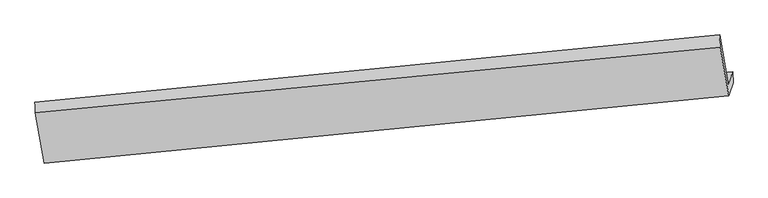
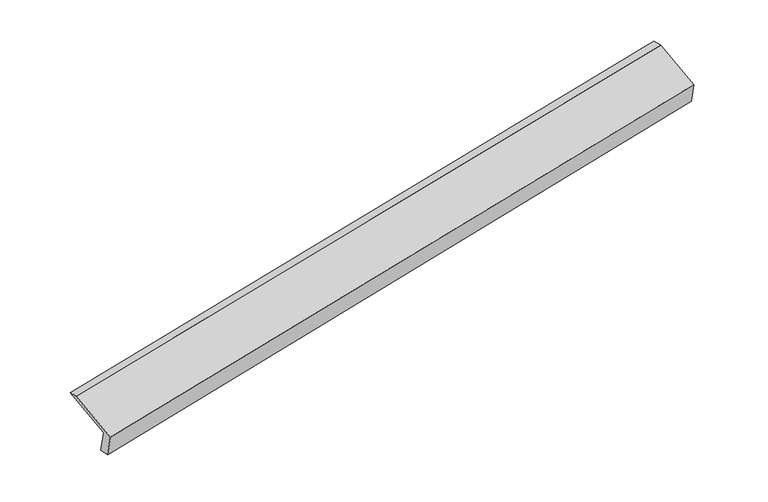
"""IFC4 building model written with IfcOpenShell, lengths in millimetres: proxy geometry."""

from ifc_helpers import new_model, si_unit, frame, origin, place, context, project, spatial, source, transform, mapped, element, save
from ifc_brep_helpers import plane_surface, spline_surface, advanced_brep


def generic_models_5886b525(model_context):
    return source(origin(), model_context, "Body", "AdvancedBrep", [
        advanced_brep(
        [(-7595.745154, -2008.1200371, 621.4979909), (-7658.7563816, -2188.7660006, 1037.5279588), (1967.2223983, -1240.7094892, 2868.5988556), (2028.1695473, -1065.9810023, 2466.1969121), (-7584.2687078, -2170.8186858, 643.6983824), (2035.9747566, -1225.4571459, 2505.7506169), (-7647.3971081, -2351.80057, 1060.50198), (1974.2224087, -1402.4940457, 2913.4688649), (-7771.8713481, -1643.9099474, 1349.0252071), (1854.5696436, -722.0233682, 3190.8162256), (-7780.1649985, -1498.3097148, 1318.9452702), (1845.8137814, -550.2532034, 3150.016167)],
        [
            (0, 1),
            (1, 2),
            (2, 3),
            (3, 0),
            (4, 0),
            (3, 5),
            (5, 4),
            (6, 4),
            (5, 7),
            (7, 6),
            (8, 6),
            (7, 9),
            (9, 8),
            (10, 8),
            (9, 11),
            (11, 10),
            (1, 10),
            (11, 2),
        ],
        [
            plane_surface(frame((-7627.2507678, -2098.4430188, 829.5129749), z_axis=(-0.1608748321340834, 0.9139827427173008, 0.3724980998619868), x_axis=(-0.13760523926015905, -0.39449844088113084, 0.9085349626021617))),
            spline_surface(1, 1, [[(-7584.2687078, -2170.8186858, 643.6983824), (2035.9747566, -1225.4571459, 2505.7506169)], [(-7595.745154, -2008.1200371, 621.4979909), (2028.1695473, -1065.9810023, 2466.1969121)]], [2, 2], [2, 2], [0.0, 1.0], [0.0, 1.0]),
            plane_surface(frame((-7615.832908, -2261.3096279, 852.1001812), z_axis=(0.16186754331202108, -0.9138858673129054, -0.37230568078914633), x_axis=(0.1376052392601205, 0.3944984408811299, -0.9085349626021679))),
            plane_surface(frame((-7709.6342281, -1997.8552587, 1204.7635936), z_axis=(-0.1361158490628935, -0.39435360379519535, 0.9088221557640581), x_axis=(0.1607158280434891, -0.9139981702770458, -0.37252888122467526))),
            spline_surface(1, 1, [[(-7780.1649985, -1498.3097148, 1318.9452702), (1845.8137814, -550.2532034, 3150.016167)], [(-7771.8713481, -1643.9099474, 1349.0252071), (1854.5696436, -722.0233682, 3190.8162256)]], [2, 2], [2, 2], [0.0, 1.0], [0.0, 1.0]),
            plane_surface(frame((-7719.4606901, -1843.5378577, 1178.2366145), z_axis=(0.13412951642672233, 0.3941590646686802, -0.9092017952922471), x_axis=(-0.16071582804349804, 0.913998170277043, 0.3725288812246783))),
            plane_surface(frame((1950.9954227, -1034.4863758, 2849.1412737), z_axis=(0.9773613562774318, 0.09475402298884139, 0.18917308049236145), x_axis=(0.1607158280434891, -0.9139981702770458, -0.37252888122467526))),
            plane_surface(frame((-7673.0339497, -1976.9541593, 1005.1994649), z_axis=(-0.9773613562774797, -0.09475402298851975, -0.18917308049227413), x_axis=(0.13760523926016024, 0.3944984408811352, -0.9085349626021596))),
        ],
        [
            (0, [[1, 2, 3, 4]]),
            (1, [[5, -4, 6, 7]]),
            (2, [[8, -7, 9, 10]]),
            (3, [[11, -10, 12, 13]]),
            (4, [[14, -13, 15, 16]]),
            (5, [[17, -16, 18, -2]]),
            (6, [[-12, -9, -6, -3, -18, -15]]),
            (7, [[-1, -5, -8, -11, -14, -17]]),
        ],
    ),
    ])


if __name__ == "__main__":
    model = new_model("IFC4")
    model_context = context("Model", 3, world=origin())
    ifc_project = project(units=[si_unit("LENGTHUNIT", "METRE", prefix="MILLI")], contexts=[model_context])
    site = spatial("IfcSite", under=ifc_project)
    building = spatial("IfcBuilding", under=site)
    placement = place(None, origin())
    generic_models_shape = generic_models_5886b525(model_context)
    element("IfcBuildingElementProxy", 1, Name="Generic Models", at=placement, inside=building, context=model_context, shape_type="MappedRepresentation", body=[
        mapped(generic_models_shape, transform((0.0, 0.0, 0.0), x_axis=(1.0, 0.0, 0.0), y_axis=(0.0, 1.0, 0.0), z_axis=(0.0, 0.0, 1.0))),
    ])
    save(model, "model.ifc")
